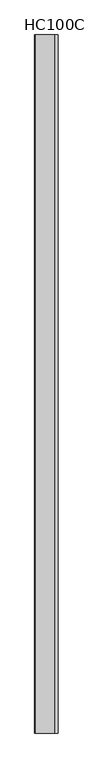
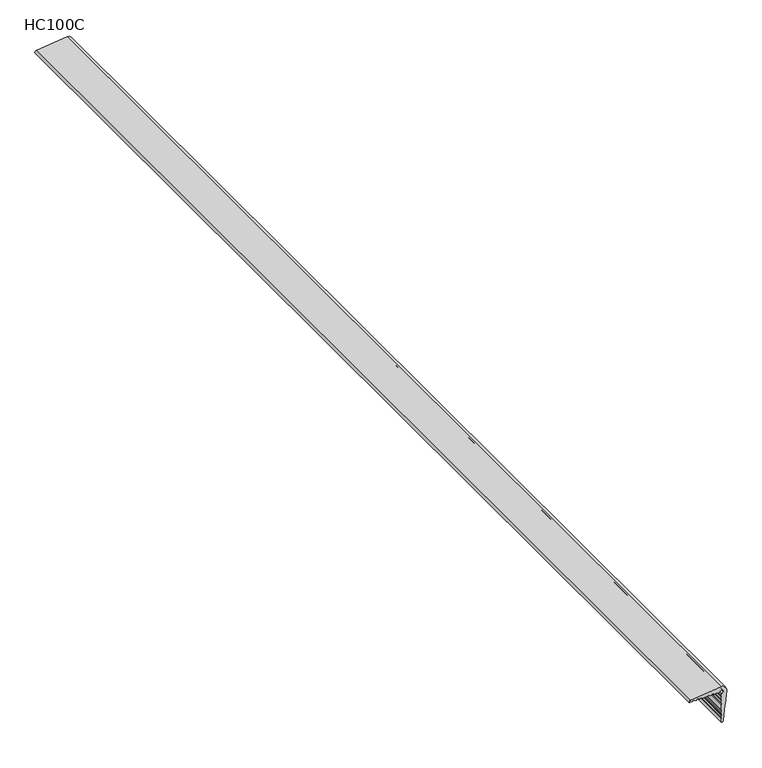
"""IFC4 building model written with IfcOpenShell, lengths in millimetres: proxy geometry, HC100C."""

from ifc_helpers import new_model, si_unit, frame, origin, place, context, project, spatial, polyline, circle_curve, source, transform, mapped, element, save
from ifc_brep_helpers import plane_surface, cylinder_surface, revolved_surface, advanced_brep


def hc100c_32eec902(model_context):
    return source(origin(), model_context, "Body", "AdvancedBrep", [
        advanced_brep(
        [(-81.0829274, 1879.6, 5.0422999), (-3.01e-05, 1879.6, 15.1128698), (15.1119433, 1879.6, -0.1784065), (10.3313994, 1879.6, -38.4652515), (9.9898655, 1879.6, -41.26156), (5.0231254, 1879.6, -81.0803827), (0.0, 1879.6, -85.7463346), (0.0, 1879.6, -75.649751), (2.0065115, 1879.6, -75.649751), (2.0065115, 1879.6, -70.6121265), (0.0, 1879.6, -70.6121265), (0.0, 1879.6, -65.5531561), (2.0065115, 1879.6, -65.5531561), (2.0065115, 1879.6, -60.5155316), (0.0, 1879.6, -60.5155316), (0.0, 1879.6, -55.4779071), (2.0065115, 1879.6, -55.4779071), (2.0065115, 1879.6, -50.4402826), (0.0, 1879.6, -50.4402826), (0.0, 1879.6, -35.3060632), (2.0065115, 1879.6, -35.3060632), (2.0065115, 1879.6, -30.2684387), (0.0, 1879.6, -30.2684387), (0.0, 1879.6, -25.2094684), (2.0065115, 1879.6, -25.2094684), (2.0065115, 1879.6, -20.1718439), (0.0, 1879.6, -20.1718439), (0.0, 1879.6, -15.1342194), (2.0065115, 1879.6, -15.1342194), (2.0065115, 1879.6, -10.0965949), (-0.0106738, 1879.6, -10.0965949), (-0.0106738, 1879.6, -5.0589695), (-5.0589591, 1879.6, 0.0), (-10.0965949, 1879.6, 0.0), (-10.0965949, 1879.6, 2.0065115), (-15.1342194, 1879.6, 2.0065115), (-15.1342194, 1879.6, 0.0), (-20.1718439, 1879.6, 0.0), (-20.1718439, 1879.6, 2.0065115), (-25.2094684, 1879.6, 2.0065115), (-25.2094684, 1879.6, 0.0), (-30.2684387, 1879.6, 0.0), (-30.2684387, 1879.6, 2.0065115), (-35.3060632, 1879.6, 2.0065115), (-35.3060632, 1879.6, 0.0), (-50.4402826, 1879.6, 0.0), (-50.4402826, 1879.6, 2.0065115), (-55.4779071, 1879.6, 2.0065115), (-55.4779071, 1879.6, 0.0), (-60.5155316, 1879.6, 0.0), (-60.5155316, 1879.6, 2.0065115), (-65.5531561, 1879.6, 2.0065115), (-65.5531561, 1879.6, 0.0), (-70.5907806, 1879.6, 0.0), (-70.5907806, 1879.6, 2.0065115), (-75.649751, 1879.6, 2.0065115), (-75.649751, 1879.6, -0.0106729), (-85.7463459, 1879.6, -0.0106729), (-3.01e-05, -1141.4125, 15.1128698), (-81.0829274, -1141.4125, 5.0422999), (-85.7463459, -1141.4125, -0.0106729), (-75.649751, -1141.4125, -0.0106729), (-75.649751, -1141.4125, 2.0065115), (-70.5907806, -1141.4125, 2.0065115), (-70.5907806, -1141.4125, 0.0), (-65.5531561, -1141.4125, 0.0), (-65.5531561, -1141.4125, 2.0065115), (-60.5155316, -1141.4125, 2.0065115), (-60.5155316, -1141.4125, 0.0), (-55.4779071, -1141.4125, 0.0), (-55.4779071, -1141.4125, 2.0065115), (-50.4402826, -1141.4125, 2.0065115), (-50.4402826, -1141.4125, 0.0), (-35.3060632, -1141.4125, 0.0), (-35.3060632, -1141.4125, 2.0065115), (-30.2684387, -1141.4125, 2.0065115), (-30.2684387, -1141.4125, 0.0), (-25.2094684, -1141.4125, 0.0), (-25.2094684, -1141.4125, 2.0065115), (-20.1718439, -1141.4125, 2.0065115), (-20.1718439, -1141.4125, 0.0), (-15.1342194, -1141.4125, 0.0), (-15.1342194, -1141.4125, 2.0065115), (-10.0965949, -1141.4125, 2.0065115), (-10.0965949, -1141.4125, 0.0), (-5.0589591, -1141.4125, 0.0), (-0.0106738, -1141.4125, -5.0589695), (-0.0106738, -1141.4125, -10.0965949), (2.0065115, -1141.4125, -10.0965949), (2.0065115, -1141.4125, -15.1342194), (0.0, -1141.4125, -15.1342194), (0.0, -1141.4125, -20.1718439), (2.0065115, -1141.4125, -20.1718439), (2.0065115, -1141.4125, -25.2094684), (0.0, -1141.4125, -25.2094684), (0.0, -1141.4125, -30.2684387), (2.0065115, -1141.4125, -30.2684387), (2.0065115, -1141.4125, -35.3060632), (0.0, -1141.4125, -35.3060632), (0.0, -1141.4125, -50.4402826), (2.0065115, -1141.4125, -50.4402826), (2.0065115, -1141.4125, -55.4779071), (0.0, -1141.4125, -55.4779071), (0.0, -1141.4125, -60.5155316), (2.0065115, -1141.4125, -60.5155316), (2.0065115, -1141.4125, -65.5531561), (0.0, -1141.4125, -65.5531561), (0.0, -1141.4125, -70.6121265), (2.0065115, -1141.4125, -70.6121265), (2.0065115, -1141.4125, -75.649751), (0.0, -1141.4125, -75.649751), (0.0, -1141.4125, -85.7463346), (5.0231254, -1141.4125, -81.0803827), (9.9898655, -1141.4125, -41.26156), (10.3313994, -1141.4125, -38.4652515), (15.1119433, -1141.4125, -0.1784065)],
        [
            (0, 1),
            (1, 2, circle_curve(frame((-0.0106725, 1879.6, -0.0106725), z_axis=(0.0, 1.0, 0.0), x_axis=(0.0, 0.0, -1.0)), 15.123546)),
            (2, 3),
            (3, 4),
            (4, 5),
            (5, 6, circle_curve(frame((-0.0106726, 1879.6, -80.698049), z_axis=(0.0, 1.0, 0.0), x_axis=(0.0, 0.0, -1.0)), 5.0482969)),
            (6, 7),
            (7, 8),
            (8, 9),
            (9, 10),
            (10, 11),
            (11, 12),
            (12, 13),
            (13, 14),
            (14, 15),
            (15, 16),
            (16, 17),
            (17, 18),
            (18, 19),
            (19, 20),
            (20, 21),
            (21, 22),
            (22, 23),
            (23, 24),
            (24, 25),
            (25, 26),
            (26, 27),
            (27, 28),
            (28, 29),
            (29, 30),
            (30, 31),
            (31, 32, circle_curve(frame((-0.0106734, 1879.6, -0.0106725), z_axis=(0.0, -1.0, 0.0), x_axis=(0.0, 0.0, -1.0)), 5.048297)),
            (32, 33),
            (33, 34),
            (34, 35),
            (35, 36),
            (36, 37),
            (37, 38),
            (38, 39),
            (39, 40),
            (40, 41),
            (41, 42),
            (42, 43),
            (43, 44),
            (44, 45),
            (45, 46),
            (46, 47),
            (47, 48),
            (48, 49),
            (49, 50),
            (50, 51),
            (51, 52),
            (52, 53),
            (53, 54),
            (54, 55),
            (55, 56),
            (56, 57),
            (57, 0, circle_curve(frame((-80.698049, 1879.6, -0.0106726), z_axis=(0.0, 1.0, 0.0), x_axis=(0.0, 0.0, -1.0)), 5.0482969)),
            (58, 59),
            (59, 60, circle_curve(frame((-80.698049, -1141.4125, -0.0106726), z_axis=(0.0, -1.0, 0.0), x_axis=(0.0, 0.0, -1.0)), 5.0482969)),
            (60, 61),
            (61, 62),
            (62, 63),
            (63, 64),
            (64, 65),
            (65, 66),
            (66, 67),
            (67, 68),
            (68, 69),
            (69, 70),
            (70, 71),
            (71, 72),
            (72, 73),
            (73, 74),
            (74, 75),
            (75, 76),
            (76, 77),
            (77, 78),
            (78, 79),
            (79, 80),
            (80, 81),
            (81, 82),
            (82, 83),
            (83, 84),
            (84, 85),
            (85, 86, circle_curve(frame((-0.0106734, -1141.4125, -0.0106725), z_axis=(0.0, 1.0, 0.0), x_axis=(0.0, 0.0, -1.0)), 5.048297)),
            (86, 87),
            (87, 88),
            (88, 89),
            (89, 90),
            (90, 91),
            (91, 92),
            (92, 93),
            (93, 94),
            (94, 95),
            (95, 96),
            (96, 97),
            (97, 98),
            (98, 99),
            (99, 100),
            (100, 101),
            (101, 102),
            (102, 103),
            (103, 104),
            (104, 105),
            (105, 106),
            (106, 107),
            (107, 108),
            (108, 109),
            (109, 110),
            (110, 111),
            (111, 112, circle_curve(frame((-0.0106726, -1141.4125, -80.698049), z_axis=(0.0, -1.0, 0.0), x_axis=(0.0, 0.0, -1.0)), 5.0482969)),
            (112, 113),
            (113, 114),
            (114, 115),
            (115, 58, circle_curve(frame((-0.0106725, -1141.4125, -0.0106725), z_axis=(0.0, -1.0, 0.0), x_axis=(0.0, 0.0, -1.0)), 15.123546)),
            (0, 59),
            (58, 1),
            (57, 60),
            (115, 2),
            (7, 110),
            (109, 8),
            (5, 112),
            (111, 6),
            (4, 113),
            (108, 9),
            (13, 104),
            (103, 14),
            (114, 3),
            (107, 10),
            (11, 106),
            (105, 12),
            (35, 82),
            (81, 36),
            (17, 100),
            (99, 18),
            (19, 98),
            (97, 20),
            (33, 84),
            (83, 34),
            (96, 21),
            (24, 93),
            (92, 25),
            (29, 88),
            (87, 30),
            (27, 90),
            (89, 28),
            (91, 26),
            (23, 94),
            (95, 22),
            (15, 102),
            (101, 16),
            (37, 80),
            (79, 38),
            (52, 65),
            (64, 53),
            (46, 71),
            (70, 47),
            (49, 68),
            (67, 50),
            (63, 54),
            (66, 51),
            (69, 48),
            (45, 72),
            (55, 62),
            (61, 56),
            (78, 39),
            (77, 40),
            (43, 74),
            (73, 44),
            (42, 75),
            (41, 76),
            (31, 86),
            (85, 32),
        ],
        [
            plane_surface(frame((0.0, 1879.6, 0.0), z_axis=(0.0, 1.0, 0.0), x_axis=(0.0, 0.0, 1.0))),
            plane_surface(frame((0.0, -1141.4125, 0.0), z_axis=(0.0, -1.0, 0.0), x_axis=(0.0, 0.0, 1.0))),
            plane_surface(frame((-46.7474477, 1879.6, 9.3067978), z_axis=(-0.12325390223939549, 0.0, 0.9923751687657051), x_axis=(0.0, -1.0, 0.0))),
            cylinder_surface(frame((-80.698049, 1879.6, -0.0106726), z_axis=(0.0, 1.0, 0.0), x_axis=(0.0, 0.0, -1.0)), 5.0482969),
            cylinder_surface(frame((-0.0106725, 1879.6, -0.0106725), z_axis=(0.0, 1.0, 0.0), x_axis=(0.0, 0.0, -1.0)), 15.123546),
            plane_surface(frame((0.0, 1879.6, -75.649751), z_axis=(0.0, 0.0, 1.0), x_axis=(0.0, -1.0, 0.0))),
            cylinder_surface(frame((-0.0106726, 1879.6, -80.698049), z_axis=(0.0, 1.0, 0.0), x_axis=(0.0, 0.0, -1.0)), 5.0482969),
            plane_surface(frame((9.9898655, 1879.6, -41.26156), z_axis=(0.9923103933196824, 0.0, -0.12377432411343321), x_axis=(0.0, -1.0, 0.0))),
            plane_surface(frame((2.0065115, 1879.6, -75.649751), z_axis=(-1.0, 0.0, 0.0), x_axis=(0.0, -1.0, 0.0))),
            plane_surface(frame((2.0065115, 1879.6, -60.5155316), z_axis=(0.0, 0.0, -1.0), x_axis=(0.0, -1.0, 0.0))),
            plane_surface(frame((15.1119433, 1879.6, -0.1784065), z_axis=(0.9922948109339423, 0.0, -0.12389918560495741), x_axis=(0.0, -1.0, 0.0))),
            plane_surface(frame((10.3313994, 1879.6, -38.4652515), z_axis=(0.9926236531100567, 0.0, -0.12123647671573932), x_axis=(0.0, -1.0, 0.0))),
            plane_surface(frame((2.0065115, 1879.6, -70.6121265), z_axis=(0.0, 0.0, -1.0), x_axis=(0.0, -1.0, 0.0))),
            plane_surface(frame((0.0, 1879.6, -65.5531561), z_axis=(0.0, 0.0, 1.0), x_axis=(0.0, -1.0, 0.0))),
            plane_surface(frame((2.0065115, 1879.6, -65.5531561), z_axis=(-1.0, 0.0, 0.0), x_axis=(0.0, -1.0, 0.0))),
            plane_surface(frame((-15.1342194, 1879.6, 2.0065115), z_axis=(1.0, 0.0, 0.0), x_axis=(0.0, -1.0, 0.0))),
            plane_surface(frame((2.0065115, 1879.6, -50.4402826), z_axis=(0.0, 0.0, -1.0), x_axis=(0.0, -1.0, 0.0))),
            plane_surface(frame((0.0, 1879.6, -35.3060632), z_axis=(0.0, 0.0, 1.0), x_axis=(0.0, -1.0, 0.0))),
            plane_surface(frame((-10.0965949, 1879.6, 0.0), z_axis=(-1.0, 0.0, 0.0), x_axis=(0.0, -1.0, 0.0))),
            plane_surface(frame((2.0065115, 1879.6, -35.3060632), z_axis=(-1.0, 0.0, 0.0), x_axis=(0.0, -1.0, 0.0))),
            plane_surface(frame((2.0065115, 1879.6, -25.2094684), z_axis=(-1.0, 0.0, 0.0), x_axis=(0.0, -1.0, 0.0))),
            plane_surface(frame((2.0065115, 1879.6, -10.0965949), z_axis=(0.0, 0.0, -1.0), x_axis=(0.0, -1.0, 0.0))),
            plane_surface(frame((0.0, 1879.6, -15.1342194), z_axis=(0.0, 0.0, 1.0), x_axis=(0.0, -1.0, 0.0))),
            plane_surface(frame((2.0065115, 1879.6, -20.1718439), z_axis=(0.0, 0.0, -1.0), x_axis=(0.0, -1.0, 0.0))),
            plane_surface(frame((0.0, 1879.6, -25.2094684), z_axis=(0.0, 0.0, 1.0), x_axis=(0.0, -1.0, 0.0))),
            plane_surface(frame((2.0065115, 1879.6, -30.2684387), z_axis=(0.0, 0.0, -1.0), x_axis=(0.0, -1.0, 0.0))),
            plane_surface(frame((0.0, 1879.6, -55.4779071), z_axis=(0.0, 0.0, 1.0), x_axis=(0.0, -1.0, 0.0))),
            plane_surface(frame((2.0065115, 1879.6, -55.4779071), z_axis=(-1.0, 0.0, 0.0), x_axis=(0.0, -1.0, 0.0))),
            plane_surface(frame((-20.1718439, 1879.6, 0.0), z_axis=(-1.0, 0.0, 0.0), x_axis=(0.0, -1.0, 0.0))),
            plane_surface(frame((-65.5531561, 1879.6, 0.0), z_axis=(0.0, 0.0, -1.0), x_axis=(0.0, -1.0, 0.0))),
            plane_surface(frame((-50.4402826, 1879.6, 2.0065115), z_axis=(0.0, 0.0, -1.0), x_axis=(0.0, -1.0, 0.0))),
            plane_surface(frame((-60.5155316, 1879.6, 0.0), z_axis=(-1.0, 0.0, 0.0), x_axis=(0.0, -1.0, 0.0))),
            plane_surface(frame((-70.5907806, 1879.6, 0.0), z_axis=(-1.0, 0.0, 0.0), x_axis=(0.0, -1.0, 0.0))),
            plane_surface(frame((-60.5155316, 1879.6, 2.0065115), z_axis=(0.0, 0.0, -1.0), x_axis=(0.0, -1.0, 0.0))),
            plane_surface(frame((-55.4779071, 1879.6, 2.0065115), z_axis=(1.0, 0.0, 0.0), x_axis=(0.0, -1.0, 0.0))),
            plane_surface(frame((-50.4402826, 1879.6, 0.0), z_axis=(-1.0, 0.0, 0.0), x_axis=(0.0, -1.0, 0.0))),
            plane_surface(frame((-75.649751, 1879.6, 2.0065115), z_axis=(1.0, 0.0, 0.0), x_axis=(0.0, -1.0, 0.0))),
            plane_surface(frame((-20.1718439, 1879.6, 2.0065115), z_axis=(0.0, 0.0, -1.0), x_axis=(0.0, -1.0, 0.0))),
            plane_surface(frame((-25.2094684, 1879.6, 2.0065115), z_axis=(1.0, 0.0, 0.0), x_axis=(0.0, -1.0, 0.0))),
            plane_surface(frame((-35.3060632, 1879.6, 2.0065115), z_axis=(1.0, 0.0, 0.0), x_axis=(0.0, -1.0, 0.0))),
            plane_surface(frame((-30.2684387, 1879.6, 2.0065115), z_axis=(0.0, 0.0, -1.0), x_axis=(0.0, -1.0, 0.0))),
            plane_surface(frame((-30.2684387, 1879.6, 0.0), z_axis=(-1.0, 0.0, 0.0), x_axis=(0.0, -1.0, 0.0))),
            plane_surface(frame((-10.0965949, 1879.6, 2.0065115), z_axis=(0.0, 0.0, -1.0), x_axis=(0.0, -1.0, 0.0))),
            plane_surface(frame((-75.649751, 1879.6, -0.0106729), z_axis=(0.0, 0.0, -1.0), x_axis=(0.0, -1.0, 0.0))),
            plane_surface(frame((-70.5907806, 1879.6, 2.0065115), z_axis=(0.0, 0.0, -1.0), x_axis=(0.0, -1.0, 0.0))),
            revolved_surface(polyline([(-0.0106734, -1141.4125, -5.0589695), (-0.0106734, 1879.6, -5.0589695)]), (-0.0106734, 1879.6, -0.0106725), (0.0, -1.0, 0.0)),
            plane_surface(frame((-65.5531561, 1879.6, 2.0065115), z_axis=(1.0, 0.0, 0.0), x_axis=(0.0, -1.0, 0.0))),
            plane_surface(frame((2.0065115, 1879.6, -15.1342194), z_axis=(-1.0, 0.0, 0.0), x_axis=(0.0, -1.0, 0.0))),
            plane_surface(frame((0.0, 1879.6, -85.7463346), z_axis=(-1.0, 0.0, 0.0), x_axis=(0.0, -1.0, 0.0))),
            plane_surface(frame((0.0, 1879.6, -70.6121265), z_axis=(-1.0, 0.0, 0.0), x_axis=(0.0, -1.0, 0.0))),
            plane_surface(frame((0.0, 1879.6, -60.5155316), z_axis=(-1.0, 0.0, 0.0), x_axis=(0.0, -1.0, 0.0))),
            plane_surface(frame((0.0, 1879.6, -50.4402826), z_axis=(-1.0, 0.0, 0.0), x_axis=(0.0, -1.0, 0.0))),
            plane_surface(frame((0.0, 1879.6, -30.2684387), z_axis=(-1.0, 0.0, 0.0), x_axis=(0.0, -1.0, 0.0))),
            plane_surface(frame((0.0, 1879.6, -20.1718439), z_axis=(-1.0, 0.0, 0.0), x_axis=(0.0, -1.0, 0.0))),
            plane_surface(frame((-0.0106738, 1879.6, -10.0965949), z_axis=(-1.0, 0.0, 0.0), x_axis=(0.0, -1.0, 0.0))),
            plane_surface(frame((-5.0589591, 1879.6, 0.0), z_axis=(0.0, 0.0, -1.0), x_axis=(0.0, -1.0, 0.0))),
            plane_surface(frame((-15.1342194, 1879.6, 0.0), z_axis=(0.0, 0.0, -1.0), x_axis=(0.0, -1.0, 0.0))),
            plane_surface(frame((-25.2094684, 1879.6, 0.0), z_axis=(0.0, 0.0, -1.0), x_axis=(0.0, -1.0, 0.0))),
            plane_surface(frame((-35.3060632, 1879.6, 0.0), z_axis=(0.0, 0.0, -1.0), x_axis=(0.0, -1.0, 0.0))),
            plane_surface(frame((-55.4779071, 1879.6, 0.0), z_axis=(0.0, 0.0, -1.0), x_axis=(0.0, -1.0, 0.0))),
        ],
        [
            (0, [[1, 2, 3, 4, 5, 6, 7, 8, 9, 10, 11, 12, 13, 14, 15, 16, 17, 18, 19, 20, 21, 22, 23, 24, 25, 26, 27, 28, 29, 30, 31, 32, 33, 34, 35, 36, 37, 38, 39, 40, 41, 42, 43, 44, 45, 46, 47, 48, 49, 50, 51, 52, 53, 54, 55, 56, 57, 58]]),
            (1, [[59, 60, 61, 62, 63, 64, 65, 66, 67, 68, 69, 70, 71, 72, 73, 74, 75, 76, 77, 78, 79, 80, 81, 82, 83, 84, 85, 86, 87, 88, 89, 90, 91, 92, 93, 94, 95, 96, 97, 98, 99, 100, 101, 102, 103, 104, 105, 106, 107, 108, 109, 110, 111, 112, 113, 114, 115, 116]]),
            (2, [[117, -59, 118, -1]]),
            (3, [[-58, 119, -60, -117]]),
            (4, [[-2, -118, -116, 120]]),
            (5, [[-8, 121, -110, 122]]),
            (6, [[-6, 123, -112, 124]]),
            (7, [[-5, 125, -113, -123]]),
            (8, [[-9, -122, -109, 126]]),
            (9, [[-14, 127, -104, 128]]),
            (10, [[-3, -120, -115, 129]]),
            (11, [[-4, -129, -114, -125]]),
            (12, [[-10, -126, -108, 130]]),
            (13, [[-12, 131, -106, 132]]),
            (14, [[-13, -132, -105, -127]]),
            (15, [[-36, 133, -82, 134]]),
            (16, [[-18, 135, -100, 136]]),
            (17, [[-20, 137, -98, 138]]),
            (18, [[-34, 139, -84, 140]]),
            (19, [[-21, -138, -97, 141]]),
            (20, [[-25, 142, -93, 143]]),
            (21, [[-30, 144, -88, 145]]),
            (22, [[-28, 146, -90, 147]]),
            (23, [[-26, -143, -92, 148]]),
            (24, [[-24, 149, -94, -142]]),
            (25, [[-22, -141, -96, 150]]),
            (26, [[-16, 151, -102, 152]]),
            (27, [[-17, -152, -101, -135]]),
            (28, [[-38, 153, -80, 154]]),
            (29, [[-53, 155, -65, 156]]),
            (30, [[-47, 157, -71, 158]]),
            (31, [[-50, 159, -68, 160]]),
            (32, [[-54, -156, -64, 161]]),
            (33, [[-51, -160, -67, 162]]),
            (34, [[-48, -158, -70, 163]]),
            (35, [[-46, 164, -72, -157]]),
            (36, [[-56, 165, -62, 166]]),
            (37, [[-39, -154, -79, 167]]),
            (38, [[-40, -167, -78, 168]]),
            (39, [[-44, 169, -74, 170]]),
            (40, [[-43, 171, -75, -169]]),
            (41, [[-42, 172, -76, -171]]),
            (42, [[-35, -140, -83, -133]]),
            (43, [[-57, -166, -61, -119]]),
            (44, [[-55, -161, -63, -165]]),
            (45, [[-32, 173, -86, 174]]),
            (46, [[-52, -162, -66, -155]]),
            (47, [[-29, -147, -89, -144]]),
            (48, [[-7, -124, -111, -121]]),
            (49, [[-11, -130, -107, -131]]),
            (50, [[-15, -128, -103, -151]]),
            (51, [[-19, -136, -99, -137]]),
            (52, [[-23, -150, -95, -149]]),
            (53, [[-27, -148, -91, -146]]),
            (54, [[-31, -145, -87, -173]]),
            (55, [[-33, -174, -85, -139]]),
            (56, [[-37, -134, -81, -153]]),
            (57, [[-41, -168, -77, -172]]),
            (58, [[-45, -170, -73, -164]]),
            (59, [[-49, -163, -69, -159]]),
        ],
    ),
    ])


if __name__ == "__main__":
    model = new_model("IFC4")
    model_context = context("Model", 3, world=origin())
    ifc_project = project(units=[si_unit("LENGTHUNIT", "METRE", prefix="MILLI")], contexts=[model_context])
    site = spatial("IfcSite", under=ifc_project)
    building = spatial("IfcBuilding", under=site)
    placement = place(None, origin())
    hc100c_shape = hc100c_32eec902(model_context)
    element("IfcBuildingElementProxy", 1, Name="HC100C", ObjectType="HC100C", at=placement, inside=building, context=model_context, shape_type="MappedRepresentation", body=[
        mapped(hc100c_shape, transform((0.0, 0.0, 0.0), x_axis=(1.0, 0.0, 0.0), y_axis=(0.0, 1.0, 0.0), z_axis=(0.0, 0.0, 1.0))),
    ])
    save(model, "model.ifc")
